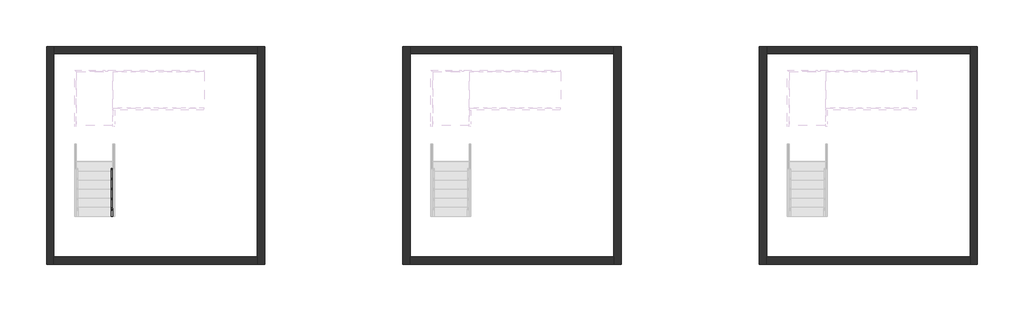
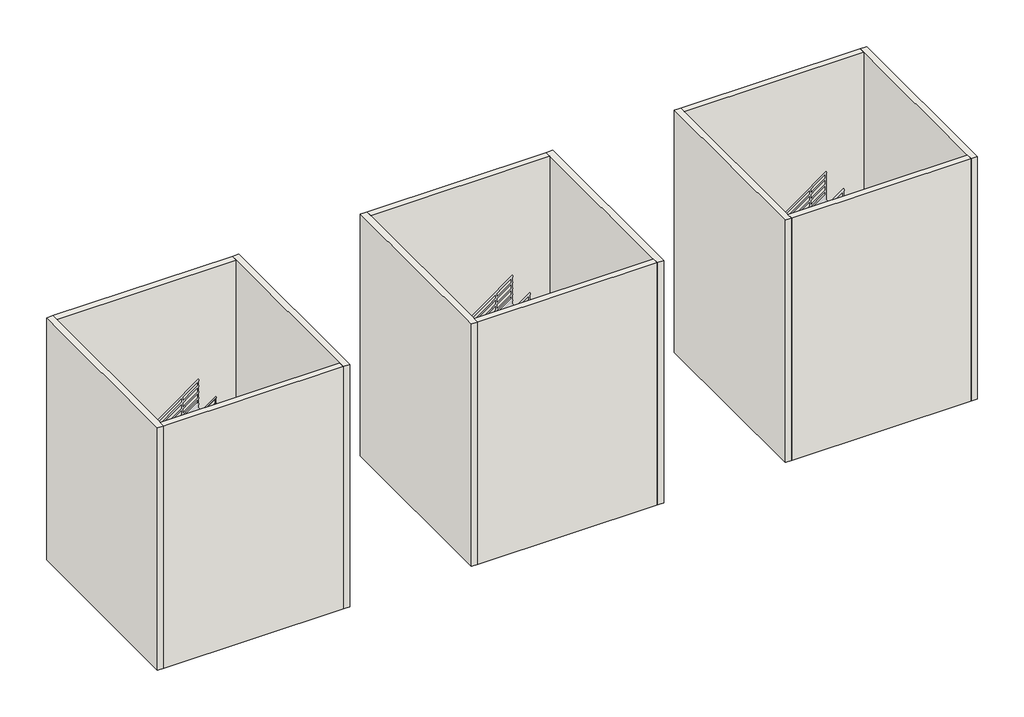
# One storey, part 1 of 7: 12 walls, 1 railing.
"""IFC4 building model written with IfcOpenShell, lengths in millimetres."""

import ifcopenshell
import ifcopenshell.guid

model = None  # the IFC model being written
_history = None  # IfcOwnerHistory: only IFC2X3 demands one
_inside = {}  # id of a spatial element -> (the spatial element, [elements in it])
_under = {}  # id of a project, library or spatial element -> (it, [spatial elements below it])
_declared = {}  # id of a project -> (the project, [libraries it declares])
_typed = {}  # id of a type object -> (the type object, [elements of that type])
_made_of = {}  # id of a material, layer set ... -> (it, [elements and type objects made of it])


def new_model(schema):
    """Start an empty IFC model of exactly this schema.

    Asked for "IFC4X3", IfcOpenShell would pick the latest addendum, in which some entities
    have other attributes; the version numbers below select the first issue.
    IFC2X3 requires an IfcOwnerHistory on every rooted entity: one is made here for all.
    """
    global model, _history
    if schema == "IFC4X3":
        model = ifcopenshell.file(schema_version=(4, 3, 0, 0))
    else:
        model = ifcopenshell.file(schema=schema)
    _inside.clear()
    _under.clear()
    _declared.clear()
    _typed.clear()
    _made_of.clear()
    _history = None
    if model.schema == "IFC2X3":
        org = make("IfcOrganization", Name="unknown")
        user = make(
            "IfcPersonAndOrganization",
            ThePerson=make("IfcPerson", FamilyName="unknown"),
            TheOrganization=org,
        )
        app = make(
            "IfcApplication",
            ApplicationDeveloper=org,
            Version="unknown",
            ApplicationFullName="unknown",
            ApplicationIdentifier="unknown",
        )
        _history = make(
            "IfcOwnerHistory",
            OwningUser=user,
            OwningApplication=app,
            ChangeAction="ADDED",
            CreationDate=0,
        )
    return model


def make(cls, **values):
    """One entity of the class cls with the attributes given. An attribute that is None is left unset."""
    return model.create_entity(
        cls, **{name: value for name, value in values.items() if value is not None}
    )


def rooted(cls, **values):
    """An entity with a GlobalId (a new one), such as an element, a storey or a relation."""
    return make(cls, GlobalId=ifcopenshell.guid.new(), OwnerHistory=_history, **values)


def si_unit(unit_type, name, prefix=None):
    """IfcSIUnit, for example si_unit("LENGTHUNIT", "METRE", prefix="MILLI")."""
    return make("IfcSIUnit", UnitType=unit_type, Prefix=prefix, Name=name)


def assignment(units):
    """IfcUnitAssignment: the units of a project."""
    return None if units is None else make("IfcUnitAssignment", Units=units)


def point(xyz):
    """IfcCartesianPoint."""
    return None if xyz is None else make("IfcCartesianPoint", Coordinates=xyz)


def direction(xyz):
    """IfcDirection."""
    return None if xyz is None else make("IfcDirection", DirectionRatios=xyz)


def frame(location, z_axis=None, x_axis=None):
    """IfcAxis2Placement3D, a coordinate frame: its origin and axes. An axis left out is left unset."""
    return make(
        "IfcAxis2Placement3D",
        Location=point(location),
        Axis=direction(z_axis),
        RefDirection=direction(x_axis),
    )


def frame_2d(location, x_axis=None):
    """IfcAxis2Placement2D, a coordinate frame in the plane: its origin and x axis."""
    return make(
        "IfcAxis2Placement2D", Location=point(location), RefDirection=direction(x_axis)
    )


def origin():
    """The frame at (0, 0, 0) with its axes left unset."""
    return frame((0.0, 0.0, 0.0))


def origin_with_axes():
    """The frame at (0, 0, 0) with the z axis (0, 0, 1) and the x axis (1, 0, 0) written out."""
    return frame((0.0, 0.0, 0.0), z_axis=(0.0, 0.0, 1.0), x_axis=(1.0, 0.0, 0.0))


def place(relative_to, where):
    """IfcLocalPlacement: puts the frame where relative to a parent placement (None: the world)."""
    return make(
        "IfcLocalPlacement", PlacementRelTo=relative_to, RelativePlacement=where
    )


def context(
    kind, dimensions, precision=None, world=None, true_north=None, identifier=None
):
    """IfcGeometricRepresentationContext, for example the 3D "Model" context."""
    return make(
        "IfcGeometricRepresentationContext",
        ContextIdentifier=identifier,
        ContextType=kind,
        CoordinateSpaceDimension=dimensions,
        Precision=precision,
        WorldCoordinateSystem=world,
        TrueNorth=true_north,
    )


def project(units=None, contexts=None):
    """IfcProject with its units and contexts."""
    return rooted(
        "IfcProject",
        Name="project",
        RepresentationContexts=contexts,
        UnitsInContext=assignment(units),
    )


def spatial(cls, under=None, at=None, **own):
    """A site, building, storey or space (cls), placed at a placement, below another one or the project."""
    s = rooted(cls, ObjectPlacement=at, **own)
    if under is not None:
        _under.setdefault(under.id(), (under, []))[1].append(s)
    return s


def polyline(points):
    """IfcPolyline through the points."""
    return make("IfcPolyline", Points=[point(p) for p in points])


def circle_curve(where, radius):
    """IfcCircle in the frame where."""
    return make("IfcCircle", Position=where, Radius=radius)


def ellipse_curve(where, semi_axis1, semi_axis2):
    """IfcEllipse in the frame where."""
    return make(
        "IfcEllipse", Position=where, SemiAxis1=semi_axis1, SemiAxis2=semi_axis2
    )


def trimmed(basis, trim1, trim2, sense, master):
    """IfcTrimmedCurve: the piece of a basis curve between two trims."""
    return make(
        "IfcTrimmedCurve",
        BasisCurve=basis,
        Trim1=trim1,
        Trim2=trim2,
        SenseAgreement=sense,
        MasterRepresentation=master,
    )


def segment(curve, same_sense, transition):
    """IfcCompositeCurveSegment."""
    return make(
        "IfcCompositeCurveSegment",
        Transition=transition,
        SameSense=same_sense,
        ParentCurve=curve,
    )


def composite_curve(segments, self_intersect=None):
    """IfcCompositeCurve: segments joined end to end."""
    return make("IfcCompositeCurve", Segments=segments, SelfIntersect=self_intersect)


def outline(outer, holes=None, kind="AREA"):
    """IfcArbitraryClosedProfileDef: a profile drawn as a closed curve; with holes, ...WithVoids."""
    if holes is None:
        return make("IfcArbitraryClosedProfileDef", ProfileType=kind, OuterCurve=outer)
    return make(
        "IfcArbitraryProfileDefWithVoids",
        ProfileType=kind,
        OuterCurve=outer,
        InnerCurves=holes,
    )


def extrude(swept, where, along, depth):
    """IfcExtrudedAreaSolid: the profile swept, set in the frame where, extruded along a direction by depth."""
    return make(
        "IfcExtrudedAreaSolid",
        SweptArea=swept,
        Position=where,
        ExtrudedDirection=direction(along),
        Depth=depth,
    )


def faces_of(points, faces, orient=None, outer=None):
    """IfcFace entities. A face is a list of loops; a loop is a list of indices into points, from 0.

    orient and outer hold one flag for each loop. By default every Orientation is true, the
    first loop of a face is its IfcFaceOuterBound and the others are IfcFaceBound.
    """
    made = []
    for i, loops in enumerate(faces):
        bounds = []
        for j, loop in enumerate(loops):
            is_outer = j == 0 if outer is None else outer[i][j]
            bounds.append(
                make(
                    "IfcFaceOuterBound" if is_outer else "IfcFaceBound",
                    Bound=make("IfcPolyLoop", Polygon=[points[k] for k in loop]),
                    Orientation=True if orient is None else orient[i][j],
                )
            )
        made.append(make("IfcFace", Bounds=bounds))
    return made


def faceted_brep(points, faces, orient=None, outer=None, voids=None):
    """IfcFacetedBrep: a solid bounded by flat faces; with voids (closed shells), ...WithVoids."""
    shared = [point(p) for p in points]
    hull = make("IfcClosedShell", CfsFaces=faces_of(shared, faces, orient, outer))
    if voids is None:
        return make("IfcFacetedBrep", Outer=hull)
    return make(
        "IfcFacetedBrepWithVoids",
        Outer=hull,
        Voids=[
            make(cls, CfsFaces=faces_of(shared, fs, o, b)) for cls, fs, o, b in voids
        ],
    )


def shape(context_of_items, identifier, shape_type, items):
    """IfcShapeRepresentation: the items that make up one representation, for example the "Body"."""
    return make(
        "IfcShapeRepresentation",
        ContextOfItems=context_of_items,
        RepresentationIdentifier=identifier,
        RepresentationType=shape_type,
        Items=items,
    )


def made_of(thing, what):
    """Note that an element or type object is made of a material, layer set ...; save() writes the relation."""
    if what is not None:
        _made_of.setdefault(what.id(), (what, []))[1].append(thing)
    return thing


def element(
    cls,
    number,
    at=None,
    inside=None,
    cuts=None,
    type_object=None,
    material=None,
    context=None,
    identifier="Body",
    shape_type=None,
    held_by="IfcProductDefinitionShape",
    body=None,
    shapes=None,
    **own,
):
    """One element of the class cls, such as IfcWall. Its Tag is "e" and its number.

    at: its placement. inside: the storey or other place that contains it. cuts: it is an
    opening in that element (IfcRelVoidsElement). A single representation is given by context,
    identifier, shape_type and body (its items); several are given by shapes. held_by: the class
    of the entity that holds the representations. save() writes the other relations.
    """
    e = rooted(cls, Tag="e%d" % number, ObjectPlacement=at, **own)
    if body is not None:
        shapes = [shape(context, identifier, shape_type, body)]
    if shapes is not None:
        e.Representation = make(held_by, Representations=shapes)
    if inside is not None:
        _inside.setdefault(inside.id(), (inside, []))[1].append(e)
    if cuts is not None:
        rooted(
            "IfcRelVoidsElement", RelatingBuildingElement=cuts, RelatedOpeningElement=e
        )
    if type_object is not None:
        _typed.setdefault(type_object.id(), (type_object, []))[1].append(e)
    return made_of(e, material)


def aggregate(whole, parts):
    """IfcRelAggregates: a whole, such as a stair, and the parts it consists of."""
    return rooted("IfcRelAggregates", RelatingObject=whole, RelatedObjects=parts)


def save(model, path):
    """Write the relations noted so far, then the file.

    IfcRelAggregates (storeys below a building ...), IfcRelContainedInSpatialStructure (elements
    in a storey), IfcRelDefinesByType, IfcRelAssociatesMaterial and IfcRelDeclares: one each for
    every whole, place, type object, material and project.
    """
    for whole, parts in _under.values():
        aggregate(whole, parts)
    for where, things in _inside.values():
        rooted(
            "IfcRelContainedInSpatialStructure",
            RelatedElements=things,
            RelatingStructure=where,
        )
    for kind, things in _typed.values():
        rooted("IfcRelDefinesByType", RelatedObjects=things, RelatingType=kind)
    for what, things in _made_of.values():
        rooted("IfcRelAssociatesMaterial", RelatedObjects=things, RelatingMaterial=what)
    for by, libraries in _declared.values():
        rooted("IfcRelDeclares", RelatingContext=by, RelatedDefinitions=libraries)
    model.write(path)


def plane_surface(at):
    """IfcPlane: the flat surface through the origin of the frame at, square to its z axis."""
    return make("IfcPlane", Position=at)


def cylinder_surface(at, radius):
    """IfcCylindricalSurface: all points at the distance radius from the z axis of the frame at."""
    return make("IfcCylindricalSurface", Position=at, Radius=radius)


def advanced_brep(points, edges, surfaces, faces):
    """IfcAdvancedBrep: a solid bounded by faces that lie on surfaces and meet in shared edges.

    An edge is (start, end): straight between two places in points (the first is 0);
    or (start, end, curve); or (start, end, curve, False) where it runs against its curve.
    A face is (place in surfaces, loops), or (place, loops, False) where it looks against
    its surface's normal. A loop lists edges by number (the first is 1), with a minus sign
    where the edge is run from its end to its start. The first loop is the outer one.
    """
    corners = [point(p) for p in points]
    vertices = [make("IfcVertexPoint", VertexGeometry=c) for c in corners]
    made = []
    for start, end, *more in edges:
        made.append(
            make(
                "IfcEdgeCurve",
                EdgeStart=vertices[start],
                EdgeEnd=vertices[end],
                EdgeGeometry=more[0] if more else make("IfcPolyline", Points=[corners[start], corners[end]]),
                SameSense=more[1] if len(more) > 1 else True,
            )
        )
    hull = []
    for where, loops, *sense in faces:
        bounds = []
        for j, loop in enumerate(loops):
            ring = [make("IfcOrientedEdge", EdgeElement=made[abs(k) - 1], Orientation=k > 0) for k in loop]
            bounds.append(
                make(
                    "IfcFaceOuterBound" if j == 0 else "IfcFaceBound",
                    Bound=make("IfcEdgeLoop", EdgeList=ring),
                    Orientation=True,
                )
            )
        hull.append(make("IfcAdvancedFace", Bounds=bounds, FaceSurface=surfaces[where], SameSense=sense[0] if sense else True))
    return make("IfcAdvancedBrep", Outer=make("IfcClosedShell", CfsFaces=hull))


model = new_model("IFC4")

# Units and contexts
model_context = context("Model", 3, world=origin())
ifc_project = project(units=[si_unit("LENGTHUNIT", "METRE", prefix="MILLI")], contexts=[model_context])

# Site, building, storey
site = spatial("IfcSite", under=ifc_project)
building = spatial("IfcBuilding", under=site)
storey = spatial("IfcBuildingStorey", under=building, Elevation=0.0)

# Railing
placement = place(None, origin())
element("IfcRailing", 1, at=placement, inside=storey, context=model_context, shape_type="SolidModel", body=[
    advanced_brep(
    [(-13925.8675457, -20822.7019092, 1057.0882354), (-13965.8675457, -20822.7019092, 1057.0882354), (-13925.8675457, -18316.198233, 2880.0), (-13965.8675457, -18316.198233, 2880.0), (-13925.8675457, -17822.8676251, 2880.0), (-13965.8675457, -17822.8676251, 2880.0)],
    [
        (0, 1, ellipse_curve(frame((-13945.8675457, -20822.7019092, 1057.0882354), z_axis=(0.0, -1.0, 0.0), x_axis=(0.0, 0.0, -1.0)), 24.7299464, 20.0)),
        (1, 0, ellipse_curve(frame((-13945.8675457, -20822.7019092, 1057.0882354), z_axis=(0.0, -1.0, 0.0), x_axis=(0.0, 0.0, -1.0)), 24.7299464, 20.0)),
        (0, 2),
        (2, 3, ellipse_curve(frame((-13945.8675457, -18316.198233, 2880.0), z_axis=(0.0, -0.9509826718461248, -0.30924417189076636), x_axis=(0.0, 0.30924417189076703, -0.9509826718461245)), 21.0308774, 20.0)),
        (3, 1),
        (3, 2, ellipse_curve(frame((-13945.8675457, -18316.198233, 2880.0), z_axis=(0.0, -0.9509826718461248, -0.30924417189076636), x_axis=(0.0, 0.30924417189076703, -0.9509826718461245)), 21.0308774, 20.0)),
        (4, 5, ellipse_curve(frame((-13945.8675457, -17822.8676251, 2880.0), z_axis=(0.0, 0.7071067811865476, 0.7071067811865476), x_axis=(0.0, -0.7071067811865474, 0.7071067811865476)), 28.2842712, 20.0)),
        (5, 4, ellipse_curve(frame((-13945.8675457, -17822.8676251, 2880.0), z_axis=(0.0, 0.7071067811865476, 0.7071067811865476), x_axis=(0.0, -0.7071067811865474, 0.7071067811865476)), 28.2842712, 20.0)),
        (2, 4),
        (5, 3),
    ],
    [
        plane_surface(frame((-13945.8675457, -20822.7019092, 1081.8181818), z_axis=(0.0, -1.0, 0.0), x_axis=(0.0, 0.0, 1.0))),
        cylinder_surface(frame((-13945.8675457, -20810.9384753, 1065.6434601), z_axis=(0.0, -0.8087360843031884, -0.5881716976750465), x_axis=(-1.0, 0.0, 0.0)), 20.0),
        plane_surface(frame((-13945.8675457, -17842.8676251, 2900.0), z_axis=(0.0, 0.7071067811865476, 0.7071067811865476), x_axis=(1.0, 0.0, 0.0))),
        cylinder_surface(frame((-13945.8675457, -18322.7019092, 2880.0), z_axis=(0.0, -1.0, 0.0), x_axis=(-1.0, 0.0, 0.0)), 20.0),
    ],
    [
        (0, [[1, 2]]),
        (1, [[-1, 3, 4, 5]]),
        (1, [[-2, -5, 6, -3]]),
        (2, [[7, 8]]),
        (3, [[-4, 9, -8, 10]]),
        (3, [[-6, -10, -7, -9]]),
    ],
),
    advanced_brep(
    [(-13925.8675457, -17822.8676251, 2880.0), (-13965.8675457, -17822.8676251, 2880.0), (-13925.8675457, -17822.8676251, 3028.4310163), (-13965.8675457, -17822.8676251, 3048.8)],
    [
        (0, 1, ellipse_curve(frame((-13945.8675457, -17822.8676251, 2880.0), z_axis=(0.0, -0.7071067811865476, -0.7071067811865476), x_axis=(0.0, 0.7071067811865476, -0.7071067811865474)), 28.2842712, 20.0)),
        (1, 0, ellipse_curve(frame((-13945.8675457, -17822.8676251, 2880.0), z_axis=(0.0, -0.7071067811865476, -0.7071067811865476), x_axis=(0.0, 0.7071067811865476, -0.7071067811865474)), 28.2842712, 20.0)),
        (2, 3, ellipse_curve(frame((-13945.8675457, -17822.8676251, 3038.6155082), z_axis=(0.45377764506691687, 0.0, 0.8911149470396753), x_axis=(0.8911149470396753, 0.0, -0.45377764506691665)), 22.4437937, 20.0)),
        (3, 2, ellipse_curve(frame((-13945.8675457, -17822.8676251, 3038.6155082), z_axis=(0.45377764506691687, 0.0, 0.8911149470396753), x_axis=(0.8911149470396753, 0.0, -0.45377764506691665)), 22.4437937, 20.0)),
        (0, 2),
        (3, 1),
    ],
    [
        plane_surface(frame((-13945.8675457, -17822.8676251, 2880.0), z_axis=(0.0, -0.7071067811865476, -0.7071067811865476), x_axis=(1.0, 0.0, 0.0))),
        plane_surface(frame((-13945.8675457, -17822.8676251, 3038.6155082), z_axis=(0.45377764506691687, 0.0, 0.8911149470396753), x_axis=(0.8911149470396753, 0.0, -0.45377764506691687))),
        cylinder_surface(frame((-13945.8675457, -17822.8676251, 2880.0), z_axis=(0.0, 0.0, -1.0), x_axis=(-1.0, 0.0, 0.0)), 20.0),
    ],
    [
        (0, [[1, 2]]),
        (1, [[3, 4]]),
        (2, [[-1, 5, -4, 6]]),
        (2, [[-2, -6, -3, -5]]),
    ],
),
    advanced_brep(
    [(-13945.8675457, -17842.8676251, 3038.6155082), (-13945.8675457, -17802.8676251, 3038.6155082), (-11420.4675457, -17842.8676251, 4875.2700536), (-11420.4675457, -17802.8676251, 4875.2700536)],
    [
        (0, 1, ellipse_curve(frame((-13945.8675457, -17822.8676251, 3038.6155082), z_axis=(-0.45377764506691687, 0.0, -0.8911149470396753), x_axis=(-0.8911149470396752, 0.0, 0.4537776450669168)), 22.4437937, 20.0)),
        (1, 0, ellipse_curve(frame((-13945.8675457, -17822.8676251, 3038.6155082), z_axis=(-0.45377764506691687, 0.0, -0.8911149470396753), x_axis=(-0.8911149470396752, 0.0, 0.4537776450669168)), 22.4437937, 20.0)),
        (2, 3, ellipse_curve(frame((-11420.4675457, -17822.8676251, 4875.2700536), z_axis=(1.0, 0.0, 0.0), x_axis=(0.0, 0.0, -1.0)), 24.7299464, 20.0)),
        (3, 2, ellipse_curve(frame((-11420.4675457, -17822.8676251, 4875.2700536), z_axis=(1.0, 0.0, 0.0), x_axis=(0.0, 0.0, -1.0)), 24.7299464, 20.0)),
        (0, 2),
        (3, 1),
    ],
    [
        plane_surface(frame((-13965.8675457, -17822.8676251, 3048.8), z_axis=(-0.45377764506691687, 0.0, -0.8911149470396753), x_axis=(0.8911149470396753, 0.0, -0.45377764506691687))),
        plane_surface(frame((-11420.4675457, -17822.8676251, 4900.0), z_axis=(1.0, 0.0, 0.0), x_axis=(0.0, 1.0, 0.0))),
        cylinder_surface(frame((-13954.1041118, -17822.8676251, 3032.6252783), z_axis=(-0.8087360843031884, 0.0, -0.5881716976750465), x_axis=(0.0, 1.0, 0.0)), 20.0),
    ],
    [
        (0, [[1, 2]]),
        (1, [[3, 4]]),
        (2, [[-1, 5, -4, 6]]),
        (2, [[-2, -6, -3, -5]]),
    ],
),
    advanced_brep(
    [(-13960.8675457, -20822.7019092, 863.270722), (-13930.8675457, -20822.7019092, 863.270722), (-13960.8675457, -18322.7019092, 2681.4525402), (-13930.8675457, -18322.7019092, 2681.4525402)],
    [
        (0, 1, ellipse_curve(frame((-13945.8675457, -20822.7019092, 863.270722), z_axis=(0.0, -1.0, 0.0), x_axis=(0.0, 0.0, -1.0)), 18.5474598, 15.0)),
        (1, 0, ellipse_curve(frame((-13945.8675457, -20822.7019092, 863.270722), z_axis=(0.0, -1.0, 0.0), x_axis=(0.0, 0.0, -1.0)), 18.5474598, 15.0)),
        (2, 3, ellipse_curve(frame((-13945.8675457, -18322.7019092, 2681.4525402), z_axis=(0.0, 1.0, 0.0), x_axis=(0.0, 0.0, -1.0)), 18.5474598, 15.0)),
        (3, 2, ellipse_curve(frame((-13945.8675457, -18322.7019092, 2681.4525402), z_axis=(0.0, 1.0, 0.0), x_axis=(0.0, 0.0, -1.0)), 18.5474598, 15.0)),
        (0, 2),
        (3, 1),
    ],
    [
        plane_surface(frame((-13945.8675457, -20822.7019092, 881.8181818), z_axis=(0.0, -1.0, 0.0), x_axis=(0.0, 0.0, 1.0))),
        plane_surface(frame((-13945.8675457, -18322.7019092, 2700.0), z_axis=(0.0, 1.0, 0.0), x_axis=(0.0, 0.0, 1.0))),
        cylinder_surface(frame((-13945.8675457, -20813.8793338, 869.6871406), z_axis=(0.0, -0.8087360843031884, -0.5881716976750465), x_axis=(1.0, 0.0, 0.0)), 15.0),
    ],
    [
        (0, [[1, 2]]),
        (1, [[3, 4]]),
        (2, [[-1, 5, -4, 6]]),
        (2, [[-2, -6, -3, -5]]),
    ],
),
    advanced_brep(
    [(-13960.8675457, -18322.7019092, 2685.0), (-13930.8675457, -18322.7019092, 2685.0), (-13960.8675457, -17837.8676251, 2685.0), (-13930.8675457, -17837.8676251, 2685.0)],
    [
        (0, 1, circle_curve(frame((-13945.8675457, -18322.7019092, 2685.0), z_axis=(0.0, -1.0, 0.0), x_axis=(1.0, 0.0, 0.0)), 15.0)),
        (1, 0, circle_curve(frame((-13945.8675457, -18322.7019092, 2685.0), z_axis=(0.0, -1.0, 0.0), x_axis=(1.0, 0.0, 0.0)), 15.0)),
        (2, 3, circle_curve(frame((-13945.8675457, -17837.8676251, 2685.0), z_axis=(0.0, 1.0, 0.0), x_axis=(1.0, 0.0, 0.0)), 15.0)),
        (3, 2, circle_curve(frame((-13945.8675457, -17837.8676251, 2685.0), z_axis=(0.0, 1.0, 0.0), x_axis=(1.0, 0.0, 0.0)), 15.0)),
        (0, 2),
        (3, 1),
    ],
    [
        plane_surface(frame((-13945.8675457, -18322.7019092, 2700.0), z_axis=(0.0, -1.0, 0.0), x_axis=(0.0, 0.0, 1.0))),
        plane_surface(frame((-13945.8675457, -17837.8676251, 2700.0), z_axis=(0.0, 1.0, 0.0), x_axis=(0.0, 0.0, 1.0))),
        cylinder_surface(frame((-13945.8675457, -18322.7019092, 2685.0), z_axis=(0.0, -1.0, 0.0), x_axis=(1.0, 0.0, 0.0)), 15.0),
    ],
    [
        (0, [[1, 2]]),
        (1, [[3, 4]]),
        (2, [[-1, 5, -4, 6]]),
        (2, [[-2, -6, -3, -5]]),
    ],
),
    advanced_brep(
    [(-13960.8675457, -17807.8676251, 2833.8889039), (-13960.8675457, -17837.8676251, 2833.8889039), (-11420.4675457, -17807.8676251, 4681.4525402), (-11420.4675457, -17837.8676251, 4681.4525402)],
    [
        (0, 1, ellipse_curve(frame((-13960.8675457, -17822.8676251, 2833.8889039), z_axis=(-1.0, 0.0, 0.0), x_axis=(0.0, 0.0, -1.0)), 18.5474598, 15.0)),
        (1, 0, ellipse_curve(frame((-13960.8675457, -17822.8676251, 2833.8889039), z_axis=(-1.0, 0.0, 0.0), x_axis=(0.0, 0.0, -1.0)), 18.5474598, 15.0)),
        (2, 3, ellipse_curve(frame((-11420.4675457, -17822.8676251, 4681.4525402), z_axis=(1.0, 0.0, 0.0), x_axis=(0.0, 0.0, -1.0)), 18.5474598, 15.0)),
        (3, 2, ellipse_curve(frame((-11420.4675457, -17822.8676251, 4681.4525402), z_axis=(1.0, 0.0, 0.0), x_axis=(0.0, 0.0, -1.0)), 18.5474598, 15.0)),
        (0, 2),
        (3, 1),
    ],
    [
        plane_surface(frame((-13960.8675457, -17822.8676251, 2852.4363636), z_axis=(-1.0, 0.0, 0.0), x_axis=(0.0, 1.0, 0.0))),
        plane_surface(frame((-11420.4675457, -17822.8676251, 4700.0), z_axis=(1.0, 0.0, 0.0), x_axis=(0.0, 1.0, 0.0))),
        cylinder_surface(frame((-13952.0449703, -17822.8676251, 2840.3053224), z_axis=(-0.8087360843031884, 0.0, -0.5881716976750465), x_axis=(0.0, -1.0, 0.0)), 15.0),
    ],
    [
        (0, [[1, 2]]),
        (1, [[3, 4]]),
        (2, [[-1, 5, -4, 6]]),
        (2, [[-2, -6, -3, -5]]),
    ],
),
    advanced_brep(
    [(-13960.8675457, -20822.7019092, 663.270722), (-13930.8675457, -20822.7019092, 663.270722), (-13960.8675457, -18322.7019092, 2481.4525402), (-13930.8675457, -18322.7019092, 2481.4525402)],
    [
        (0, 1, ellipse_curve(frame((-13945.8675457, -20822.7019092, 663.270722), z_axis=(0.0, -1.0, 0.0), x_axis=(0.0, 0.0, -1.0)), 18.5474598, 15.0)),
        (1, 0, ellipse_curve(frame((-13945.8675457, -20822.7019092, 663.270722), z_axis=(0.0, -1.0, 0.0), x_axis=(0.0, 0.0, -1.0)), 18.5474598, 15.0)),
        (2, 3, ellipse_curve(frame((-13945.8675457, -18322.7019092, 2481.4525402), z_axis=(0.0, 1.0, 0.0), x_axis=(0.0, 0.0, -1.0)), 18.5474598, 15.0)),
        (3, 2, ellipse_curve(frame((-13945.8675457, -18322.7019092, 2481.4525402), z_axis=(0.0, 1.0, 0.0), x_axis=(0.0, 0.0, -1.0)), 18.5474598, 15.0)),
        (0, 2),
        (3, 1),
    ],
    [
        plane_surface(frame((-13945.8675457, -20822.7019092, 681.8181818), z_axis=(0.0, -1.0, 0.0), x_axis=(0.0, 0.0, 1.0))),
        plane_surface(frame((-13945.8675457, -18322.7019092, 2500.0), z_axis=(0.0, 1.0, 0.0), x_axis=(0.0, 0.0, 1.0))),
        cylinder_surface(frame((-13945.8675457, -20813.8793338, 669.6871406), z_axis=(0.0, -0.8087360843031884, -0.5881716976750465), x_axis=(1.0, 0.0, 0.0)), 15.0),
    ],
    [
        (0, [[1, 2]]),
        (1, [[3, 4]]),
        (2, [[-1, 5, -4, 6]]),
        (2, [[-2, -6, -3, -5]]),
    ],
),
    advanced_brep(
    [(-13960.8675457, -18322.7019092, 2485.0), (-13930.8675457, -18322.7019092, 2485.0), (-13960.8675457, -17837.8676251, 2485.0), (-13930.8675457, -17837.8676251, 2485.0)],
    [
        (0, 1, circle_curve(frame((-13945.8675457, -18322.7019092, 2485.0), z_axis=(0.0, -1.0, 0.0), x_axis=(1.0, 0.0, 0.0)), 15.0)),
        (1, 0, circle_curve(frame((-13945.8675457, -18322.7019092, 2485.0), z_axis=(0.0, -1.0, 0.0), x_axis=(1.0, 0.0, 0.0)), 15.0)),
        (2, 3, circle_curve(frame((-13945.8675457, -17837.8676251, 2485.0), z_axis=(0.0, 1.0, 0.0), x_axis=(1.0, 0.0, 0.0)), 15.0)),
        (3, 2, circle_curve(frame((-13945.8675457, -17837.8676251, 2485.0), z_axis=(0.0, 1.0, 0.0), x_axis=(1.0, 0.0, 0.0)), 15.0)),
        (0, 2),
        (3, 1),
    ],
    [
        plane_surface(frame((-13945.8675457, -18322.7019092, 2500.0), z_axis=(0.0, -1.0, 0.0), x_axis=(0.0, 0.0, 1.0))),
        plane_surface(frame((-13945.8675457, -17837.8676251, 2500.0), z_axis=(0.0, 1.0, 0.0), x_axis=(0.0, 0.0, 1.0))),
        cylinder_surface(frame((-13945.8675457, -18322.7019092, 2485.0), z_axis=(0.0, -1.0, 0.0), x_axis=(1.0, 0.0, 0.0)), 15.0),
    ],
    [
        (0, [[1, 2]]),
        (1, [[3, 4]]),
        (2, [[-1, 5, -4, 6]]),
        (2, [[-2, -6, -3, -5]]),
    ],
),
    advanced_brep(
    [(-13960.8675457, -17807.8676251, 2633.8889039), (-13960.8675457, -17837.8676251, 2633.8889039), (-11420.4675457, -17807.8676251, 4481.4525402), (-11420.4675457, -17837.8676251, 4481.4525402)],
    [
        (0, 1, ellipse_curve(frame((-13960.8675457, -17822.8676251, 2633.8889039), z_axis=(-1.0, 0.0, 0.0), x_axis=(0.0, 0.0, -1.0)), 18.5474598, 15.0)),
        (1, 0, ellipse_curve(frame((-13960.8675457, -17822.8676251, 2633.8889039), z_axis=(-1.0, 0.0, 0.0), x_axis=(0.0, 0.0, -1.0)), 18.5474598, 15.0)),
        (2, 3, ellipse_curve(frame((-11420.4675457, -17822.8676251, 4481.4525402), z_axis=(1.0, 0.0, 0.0), x_axis=(0.0, 0.0, -1.0)), 18.5474598, 15.0)),
        (3, 2, ellipse_curve(frame((-11420.4675457, -17822.8676251, 4481.4525402), z_axis=(1.0, 0.0, 0.0), x_axis=(0.0, 0.0, -1.0)), 18.5474598, 15.0)),
        (0, 2),
        (3, 1),
    ],
    [
        plane_surface(frame((-13960.8675457, -17822.8676251, 2652.4363636), z_axis=(-1.0, 0.0, 0.0), x_axis=(0.0, 1.0, 0.0))),
        plane_surface(frame((-11420.4675457, -17822.8676251, 4500.0), z_axis=(1.0, 0.0, 0.0), x_axis=(0.0, 1.0, 0.0))),
        cylinder_surface(frame((-13952.0449703, -17822.8676251, 2640.3053224), z_axis=(-0.8087360843031884, 0.0, -0.5881716976750465), x_axis=(0.0, -1.0, 0.0)), 15.0),
    ],
    [
        (0, [[1, 2]]),
        (1, [[3, 4]]),
        (2, [[-1, 5, -4, 6]]),
        (2, [[-2, -6, -3, -5]]),
    ],
),
    advanced_brep(
    [(-13960.8675457, -20822.7019092, 463.270722), (-13930.8675457, -20822.7019092, 463.270722), (-13960.8675457, -18322.7019092, 2281.4525402), (-13930.8675457, -18322.7019092, 2281.4525402)],
    [
        (0, 1, ellipse_curve(frame((-13945.8675457, -20822.7019092, 463.270722), z_axis=(0.0, -1.0, 0.0), x_axis=(0.0, 0.0, -1.0)), 18.5474598, 15.0)),
        (1, 0, ellipse_curve(frame((-13945.8675457, -20822.7019092, 463.270722), z_axis=(0.0, -1.0, 0.0), x_axis=(0.0, 0.0, -1.0)), 18.5474598, 15.0)),
        (2, 3, ellipse_curve(frame((-13945.8675457, -18322.7019092, 2281.4525402), z_axis=(0.0, 1.0, 0.0), x_axis=(0.0, 0.0, -1.0)), 18.5474598, 15.0)),
        (3, 2, ellipse_curve(frame((-13945.8675457, -18322.7019092, 2281.4525402), z_axis=(0.0, 1.0, 0.0), x_axis=(0.0, 0.0, -1.0)), 18.5474598, 15.0)),
        (0, 2),
        (3, 1),
    ],
    [
        plane_surface(frame((-13945.8675457, -20822.7019092, 481.8181818), z_axis=(0.0, -1.0, 0.0), x_axis=(0.0, 0.0, 1.0))),
        plane_surface(frame((-13945.8675457, -18322.7019092, 2300.0), z_axis=(0.0, 1.0, 0.0), x_axis=(0.0, 0.0, 1.0))),
        cylinder_surface(frame((-13945.8675457, -20813.8793338, 469.6871406), z_axis=(0.0, -0.8087360843031884, -0.5881716976750465), x_axis=(1.0, 0.0, 0.0)), 15.0),
    ],
    [
        (0, [[1, 2]]),
        (1, [[3, 4]]),
        (2, [[-1, 5, -4, 6]]),
        (2, [[-2, -6, -3, -5]]),
    ],
),
    advanced_brep(
    [(-13960.8675457, -18322.7019092, 2285.0), (-13930.8675457, -18322.7019092, 2285.0), (-13960.8675457, -17837.8676251, 2285.0), (-13930.8675457, -17837.8676251, 2285.0)],
    [
        (0, 1, circle_curve(frame((-13945.8675457, -18322.7019092, 2285.0), z_axis=(0.0, -1.0, 0.0), x_axis=(1.0, 0.0, 0.0)), 15.0)),
        (1, 0, circle_curve(frame((-13945.8675457, -18322.7019092, 2285.0), z_axis=(0.0, -1.0, 0.0), x_axis=(1.0, 0.0, 0.0)), 15.0)),
        (2, 3, circle_curve(frame((-13945.8675457, -17837.8676251, 2285.0), z_axis=(0.0, 1.0, 0.0), x_axis=(1.0, 0.0, 0.0)), 15.0)),
        (3, 2, circle_curve(frame((-13945.8675457, -17837.8676251, 2285.0), z_axis=(0.0, 1.0, 0.0), x_axis=(1.0, 0.0, 0.0)), 15.0)),
        (0, 2),
        (3, 1),
    ],
    [
        plane_surface(frame((-13945.8675457, -18322.7019092, 2300.0), z_axis=(0.0, -1.0, 0.0), x_axis=(0.0, 0.0, 1.0))),
        plane_surface(frame((-13945.8675457, -17837.8676251, 2300.0), z_axis=(0.0, 1.0, 0.0), x_axis=(0.0, 0.0, 1.0))),
        cylinder_surface(frame((-13945.8675457, -18322.7019092, 2285.0), z_axis=(0.0, -1.0, 0.0), x_axis=(1.0, 0.0, 0.0)), 15.0),
    ],
    [
        (0, [[1, 2]]),
        (1, [[3, 4]]),
        (2, [[-1, 5, -4, 6]]),
        (2, [[-2, -6, -3, -5]]),
    ],
),
    advanced_brep(
    [(-13960.8675457, -17807.8676251, 2433.8889039), (-13960.8675457, -17837.8676251, 2433.8889039), (-11420.4675457, -17807.8676251, 4281.4525402), (-11420.4675457, -17837.8676251, 4281.4525402)],
    [
        (0, 1, ellipse_curve(frame((-13960.8675457, -17822.8676251, 2433.8889039), z_axis=(-1.0, 0.0, 0.0), x_axis=(0.0, 0.0, -1.0)), 18.5474598, 15.0)),
        (1, 0, ellipse_curve(frame((-13960.8675457, -17822.8676251, 2433.8889039), z_axis=(-1.0, 0.0, 0.0), x_axis=(0.0, 0.0, -1.0)), 18.5474598, 15.0)),
        (2, 3, ellipse_curve(frame((-11420.4675457, -17822.8676251, 4281.4525402), z_axis=(1.0, 0.0, 0.0), x_axis=(0.0, 0.0, -1.0)), 18.5474598, 15.0)),
        (3, 2, ellipse_curve(frame((-11420.4675457, -17822.8676251, 4281.4525402), z_axis=(1.0, 0.0, 0.0), x_axis=(0.0, 0.0, -1.0)), 18.5474598, 15.0)),
        (0, 2),
        (3, 1),
    ],
    [
        plane_surface(frame((-13960.8675457, -17822.8676251, 2452.4363636), z_axis=(-1.0, 0.0, 0.0), x_axis=(0.0, 1.0, 0.0))),
        plane_surface(frame((-11420.4675457, -17822.8676251, 4300.0), z_axis=(1.0, 0.0, 0.0), x_axis=(0.0, 1.0, 0.0))),
        cylinder_surface(frame((-13952.0449703, -17822.8676251, 2440.3053224), z_axis=(-0.8087360843031884, 0.0, -0.5881716976750465), x_axis=(0.0, -1.0, 0.0)), 15.0),
    ],
    [
        (0, [[1, 2]]),
        (1, [[3, 4]]),
        (2, [[-1, 5, -4, 6]]),
        (2, [[-2, -6, -3, -5]]),
    ],
),
    advanced_brep(
    [(-13960.8675457, -20822.7019092, 263.270722), (-13930.8675457, -20822.7019092, 263.270722), (-13960.8675457, -18322.7019092, 2081.4525402), (-13930.8675457, -18322.7019092, 2081.4525402)],
    [
        (0, 1, ellipse_curve(frame((-13945.8675457, -20822.7019092, 263.270722), z_axis=(0.0, -1.0, 0.0), x_axis=(0.0, 0.0, -1.0)), 18.5474598, 15.0)),
        (1, 0, ellipse_curve(frame((-13945.8675457, -20822.7019092, 263.270722), z_axis=(0.0, -1.0, 0.0), x_axis=(0.0, 0.0, -1.0)), 18.5474598, 15.0)),
        (2, 3, ellipse_curve(frame((-13945.8675457, -18322.7019092, 2081.4525402), z_axis=(0.0, 1.0, 0.0), x_axis=(0.0, 0.0, -1.0)), 18.5474598, 15.0)),
        (3, 2, ellipse_curve(frame((-13945.8675457, -18322.7019092, 2081.4525402), z_axis=(0.0, 1.0, 0.0), x_axis=(0.0, 0.0, -1.0)), 18.5474598, 15.0)),
        (0, 2),
        (3, 1),
    ],
    [
        plane_surface(frame((-13945.8675457, -20822.7019092, 281.8181818), z_axis=(0.0, -1.0, 0.0), x_axis=(0.0, 0.0, 1.0))),
        plane_surface(frame((-13945.8675457, -18322.7019092, 2100.0), z_axis=(0.0, 1.0, 0.0), x_axis=(0.0, 0.0, 1.0))),
        cylinder_surface(frame((-13945.8675457, -20813.8793338, 269.6871406), z_axis=(0.0, -0.8087360843031884, -0.5881716976750465), x_axis=(1.0, 0.0, 0.0)), 15.0),
    ],
    [
        (0, [[1, 2]]),
        (1, [[3, 4]]),
        (2, [[-1, 5, -4, 6]]),
        (2, [[-2, -6, -3, -5]]),
    ],
),
    advanced_brep(
    [(-13960.8675457, -18322.7019092, 2085.0), (-13930.8675457, -18322.7019092, 2085.0), (-13960.8675457, -17837.8676251, 2085.0), (-13930.8675457, -17837.8676251, 2085.0)],
    [
        (0, 1, circle_curve(frame((-13945.8675457, -18322.7019092, 2085.0), z_axis=(0.0, -1.0, 0.0), x_axis=(1.0, 0.0, 0.0)), 15.0)),
        (1, 0, circle_curve(frame((-13945.8675457, -18322.7019092, 2085.0), z_axis=(0.0, -1.0, 0.0), x_axis=(1.0, 0.0, 0.0)), 15.0)),
        (2, 3, circle_curve(frame((-13945.8675457, -17837.8676251, 2085.0), z_axis=(0.0, 1.0, 0.0), x_axis=(1.0, 0.0, 0.0)), 15.0)),
        (3, 2, circle_curve(frame((-13945.8675457, -17837.8676251, 2085.0), z_axis=(0.0, 1.0, 0.0), x_axis=(1.0, 0.0, 0.0)), 15.0)),
        (0, 2),
        (3, 1),
    ],
    [
        plane_surface(frame((-13945.8675457, -18322.7019092, 2100.0), z_axis=(0.0, -1.0, 0.0), x_axis=(0.0, 0.0, 1.0))),
        plane_surface(frame((-13945.8675457, -17837.8676251, 2100.0), z_axis=(0.0, 1.0, 0.0), x_axis=(0.0, 0.0, 1.0))),
        cylinder_surface(frame((-13945.8675457, -18322.7019092, 2085.0), z_axis=(0.0, -1.0, 0.0), x_axis=(1.0, 0.0, 0.0)), 15.0),
    ],
    [
        (0, [[1, 2]]),
        (1, [[3, 4]]),
        (2, [[-1, 5, -4, 6]]),
        (2, [[-2, -6, -3, -5]]),
    ],
),
    advanced_brep(
    [(-13960.8675457, -17807.8676251, 2233.8889039), (-13960.8675457, -17837.8676251, 2233.8889039), (-11420.4675457, -17807.8676251, 4081.4525402), (-11420.4675457, -17837.8676251, 4081.4525402)],
    [
        (0, 1, ellipse_curve(frame((-13960.8675457, -17822.8676251, 2233.8889039), z_axis=(-1.0, 0.0, 0.0), x_axis=(0.0, 0.0, -1.0)), 18.5474598, 15.0)),
        (1, 0, ellipse_curve(frame((-13960.8675457, -17822.8676251, 2233.8889039), z_axis=(-1.0, 0.0, 0.0), x_axis=(0.0, 0.0, -1.0)), 18.5474598, 15.0)),
        (2, 3, ellipse_curve(frame((-11420.4675457, -17822.8676251, 4081.4525402), z_axis=(1.0, 0.0, 0.0), x_axis=(0.0, 0.0, -1.0)), 18.5474598, 15.0)),
        (3, 2, ellipse_curve(frame((-11420.4675457, -17822.8676251, 4081.4525402), z_axis=(1.0, 0.0, 0.0), x_axis=(0.0, 0.0, -1.0)), 18.5474598, 15.0)),
        (0, 2),
        (3, 1),
    ],
    [
        plane_surface(frame((-13960.8675457, -17822.8676251, 2252.4363636), z_axis=(-1.0, 0.0, 0.0), x_axis=(0.0, 1.0, 0.0))),
        plane_surface(frame((-11420.4675457, -17822.8676251, 4100.0), z_axis=(1.0, 0.0, 0.0), x_axis=(0.0, 1.0, 0.0))),
        cylinder_surface(frame((-13952.0449703, -17822.8676251, 2240.3053224), z_axis=(-0.8087360843031884, 0.0, -0.5881716976750465), x_axis=(0.0, -1.0, 0.0)), 15.0),
    ],
    [
        (0, [[1, 2]]),
        (1, [[3, 4]]),
        (2, [[-1, 5, -4, 6]]),
        (2, [[-2, -6, -3, -5]]),
    ],
),
    advanced_brep(
    [(-11945.8675457, -17835.3676251, 4468.4310163), (-11945.8675457, -17835.3676251, 3454.5454545), (-11945.8675457, -17810.3676251, 3454.5454545), (-11945.8675457, -17810.3676251, 4468.4310163)],
    [
        (0, 1),
        (1, 2, circle_curve(frame((-11945.8675457, -17822.8676251, 3454.5454545), z_axis=(0.0, 0.0, 1.0), x_axis=(0.0, 1.0, 0.0)), 12.5)),
        (2, 3),
        (3, 0, ellipse_curve(frame((-11945.8675457, -17822.8676251, 4468.4310163), z_axis=(0.5881716976750468, 0.0, -0.8087360843031881), x_axis=(0.8087360843031881, 0.0, 0.5881716976750467)), 15.4562165, 12.5)),
        (0, 3, ellipse_curve(frame((-11945.8675457, -17822.8676251, 4468.4310163), z_axis=(0.5881716976750468, 0.0, -0.8087360843031881), x_axis=(0.8087360843031881, 0.0, 0.5881716976750467)), 15.4562165, 12.5)),
        (2, 1, circle_curve(frame((-11945.8675457, -17822.8676251, 3454.5454545), z_axis=(0.0, 0.0, 1.0), x_axis=(0.0, 1.0, 0.0)), 12.5)),
    ],
    [
        cylinder_surface(frame((-11945.8675457, -17822.8676251, 3354.5454545), z_axis=(0.0, 0.0, 1.0), x_axis=(0.0, 1.0, 0.0)), 12.5),
        plane_surface(frame((-11920.8675457, -17797.8676251, 4486.6128345), z_axis=(-0.5881716976750468, 0.0, 0.8087360843031881), x_axis=(0.0, -1.0, 0.0))),
        plane_surface(frame((-11970.8675457, -17797.8676251, 3454.5454545), z_axis=(0.0, 0.0, -1.0), x_axis=(0.0, -1.0, 0.0))),
    ],
    [
        (0, [[1, 2, 3, 4]]),
        (0, [[-1, 5, -3, 6]]),
        (1, [[-4, -5]]),
        (2, [[-2, -6]]),
    ],
),
    advanced_brep(
    [(-12945.8675457, -17835.3676251, 3741.1582891), (-12945.8675457, -17835.3676251, 2727.2727273), (-12945.8675457, -17810.3676251, 2727.2727273), (-12945.8675457, -17810.3676251, 3741.1582891)],
    [
        (0, 1),
        (1, 2, circle_curve(frame((-12945.8675457, -17822.8676251, 2727.2727273), z_axis=(0.0, 0.0, 1.0), x_axis=(0.0, 1.0, 0.0)), 12.5)),
        (2, 3),
        (3, 0, ellipse_curve(frame((-12945.8675457, -17822.8676251, 3741.1582891), z_axis=(0.5881716976750468, 0.0, -0.8087360843031881), x_axis=(0.8087360843031881, 0.0, 0.5881716976750467)), 15.4562165, 12.5)),
        (0, 3, ellipse_curve(frame((-12945.8675457, -17822.8676251, 3741.1582891), z_axis=(0.5881716976750468, 0.0, -0.8087360843031881), x_axis=(0.8087360843031881, 0.0, 0.5881716976750467)), 15.4562165, 12.5)),
        (2, 1, circle_curve(frame((-12945.8675457, -17822.8676251, 2727.2727273), z_axis=(0.0, 0.0, 1.0), x_axis=(0.0, 1.0, 0.0)), 12.5)),
    ],
    [
        cylinder_surface(frame((-12945.8675457, -17822.8676251, 2627.2727273), z_axis=(0.0, 0.0, 1.0), x_axis=(0.0, 1.0, 0.0)), 12.5),
        plane_surface(frame((-12920.8675457, -17797.8676251, 3759.3401072), z_axis=(-0.5881716976750468, 0.0, 0.8087360843031881), x_axis=(0.0, -1.0, 0.0))),
        plane_surface(frame((-12970.8675457, -17797.8676251, 2727.2727273), z_axis=(0.0, 0.0, -1.0), x_axis=(0.0, -1.0, 0.0))),
    ],
    [
        (0, [[1, 2, 3, 4]]),
        (0, [[-1, 5, -3, 6]]),
        (1, [[-4, -5]]),
        (2, [[-2, -6]]),
    ],
),
    advanced_brep(
    [(-13933.3675457, -18822.7019092, 2486.9037436), (-13933.3675457, -18822.7019092, 1636.3636364), (-13958.3675457, -18822.7019092, 1636.3636364), (-13958.3675457, -18822.7019092, 2486.9037436)],
    [
        (0, 1),
        (1, 2, circle_curve(frame((-13945.8675457, -18822.7019092, 1636.3636364), z_axis=(0.0, 0.0, 1.0), x_axis=(-1.0, 0.0, 0.0)), 12.5)),
        (2, 3),
        (3, 0, ellipse_curve(frame((-13945.8675457, -18822.7019092, 2486.9037436), z_axis=(0.0, 0.5881716976750454, -0.8087360843031891), x_axis=(0.0, 0.8087360843031891, 0.5881716976750453)), 15.4562165, 12.5)),
        (0, 3, ellipse_curve(frame((-13945.8675457, -18822.7019092, 2486.9037436), z_axis=(0.0, 0.5881716976750454, -0.8087360843031891), x_axis=(0.0, 0.8087360843031891, 0.5881716976750453)), 15.4562165, 12.5)),
        (2, 1, circle_curve(frame((-13945.8675457, -18822.7019092, 1636.3636364), z_axis=(0.0, 0.0, 1.0), x_axis=(-1.0, 0.0, 0.0)), 12.5)),
    ],
    [
        cylinder_surface(frame((-13945.8675457, -18822.7019092, 1536.3636364), z_axis=(0.0, 0.0, 1.0), x_axis=(-1.0, 0.0, 0.0)), 12.5),
        plane_surface(frame((-13970.8675457, -18797.7019092, 2505.0855618), z_axis=(0.0, -0.5881716976750454, 0.8087360843031891), x_axis=(1.0, 0.0, 0.0))),
        plane_surface(frame((-13970.8675457, -18847.7019092, 1636.3636364), z_axis=(0.0, 0.0, -1.0), x_axis=(1.0, 0.0, 0.0))),
    ],
    [
        (0, [[1, 2, 3, 4]]),
        (0, [[-1, 5, -3, 6]]),
        (1, [[-4, -5]]),
        (2, [[-2, -6]]),
    ],
),
    advanced_brep(
    [(-13933.3675457, -19822.7019092, 1759.6310163), (-13933.3675457, -19822.7019092, 909.0909091), (-13958.3675457, -19822.7019092, 909.0909091), (-13958.3675457, -19822.7019092, 1759.6310163)],
    [
        (0, 1),
        (1, 2, circle_curve(frame((-13945.8675457, -19822.7019092, 909.0909091), z_axis=(0.0, 0.0, 1.0), x_axis=(-1.0, 0.0, 0.0)), 12.5)),
        (2, 3),
        (3, 0, ellipse_curve(frame((-13945.8675457, -19822.7019092, 1759.6310163), z_axis=(0.0, 0.5881716976750454, -0.8087360843031891), x_axis=(0.0, 0.8087360843031891, 0.5881716976750453)), 15.4562165, 12.5)),
        (0, 3, ellipse_curve(frame((-13945.8675457, -19822.7019092, 1759.6310163), z_axis=(0.0, 0.5881716976750454, -0.8087360843031891), x_axis=(0.0, 0.8087360843031891, 0.5881716976750453)), 15.4562165, 12.5)),
        (2, 1, circle_curve(frame((-13945.8675457, -19822.7019092, 909.0909091), z_axis=(0.0, 0.0, 1.0), x_axis=(-1.0, 0.0, 0.0)), 12.5)),
    ],
    [
        cylinder_surface(frame((-13945.8675457, -19822.7019092, 809.0909091), z_axis=(0.0, 0.0, 1.0), x_axis=(-1.0, 0.0, 0.0)), 12.5),
        plane_surface(frame((-13970.8675457, -19797.7019092, 1777.8128345), z_axis=(0.0, -0.5881716976750454, 0.8087360843031891), x_axis=(1.0, 0.0, 0.0))),
        plane_surface(frame((-13970.8675457, -19847.7019092, 909.0909091), z_axis=(0.0, 0.0, -1.0), x_axis=(1.0, 0.0, 0.0))),
    ],
    [
        (0, [[1, 2, 3, 4]]),
        (0, [[-1, 5, -3, 6]]),
        (1, [[-4, -5]]),
        (2, [[-2, -6]]),
    ],
),
    extrude(outline(composite_curve([segment(trimmed(circle_curve(frame_2d((-13945.8675457, -17822.8676251)), 12.5), [point((-13958.3675457, -17822.8676251))], [point((-13933.3675457, -17822.8676251))], False, "CARTESIAN"), True, "CONTINUOUS"), segment(trimmed(circle_curve(frame_2d((-13945.8675457, -17822.8676251)), 12.5), [point((-13933.3675457, -17822.8676251))], [point((-13958.3675457, -17822.8676251))], False, "CARTESIAN"), True, "CONTINUOUS")], self_intersect=False)), frame((0.0, 0.0, 2000.0), z_axis=(0.0, 0.0, 1.0), x_axis=(1.0, 0.0, 0.0)), (0.0, 0.0, 1.0), 860.0),
    advanced_brep(
    [(-13933.3675457, -18322.7019092, 2850.5401072), (-13933.3675457, -18322.7019092, 2000.0), (-13958.3675457, -18322.7019092, 2000.0), (-13958.3675457, -18322.7019092, 2850.5401072)],
    [
        (0, 1),
        (1, 2, circle_curve(frame((-13945.8675457, -18322.7019092, 2000.0), z_axis=(0.0, 0.0, 1.0), x_axis=(-1.0, 0.0, 0.0)), 12.5)),
        (2, 3),
        (3, 0, ellipse_curve(frame((-13945.8675457, -18322.7019092, 2850.5401072), z_axis=(0.0, 0.5881716976750454, -0.8087360843031891), x_axis=(0.0, 0.8087360843031891, 0.5881716976750453)), 15.4562165, 12.5)),
        (0, 3, ellipse_curve(frame((-13945.8675457, -18322.7019092, 2850.5401072), z_axis=(0.0, 0.5881716976750454, -0.8087360843031891), x_axis=(0.0, 0.8087360843031891, 0.5881716976750453)), 15.4562165, 12.5)),
        (2, 1, circle_curve(frame((-13945.8675457, -18322.7019092, 2000.0), z_axis=(0.0, 0.0, 1.0), x_axis=(-1.0, 0.0, 0.0)), 12.5)),
    ],
    [
        cylinder_surface(frame((-13945.8675457, -18322.7019092, 1900.0), z_axis=(0.0, 0.0, 1.0), x_axis=(-1.0, 0.0, 0.0)), 12.5),
        plane_surface(frame((-13970.8675457, -18297.7019092, 2868.7219254), z_axis=(0.0, -0.5881716976750454, 0.8087360843031891), x_axis=(1.0, 0.0, 0.0))),
        plane_surface(frame((-13970.8675457, -18347.7019092, 2000.0), z_axis=(0.0, 0.0, -1.0), x_axis=(1.0, 0.0, 0.0))),
    ],
    [
        (0, [[1, 2, 3, 4]]),
        (0, [[-1, 5, -3, 6]]),
        (1, [[-4, -5]]),
        (2, [[-2, -6]]),
    ],
),
    advanced_brep(
    [(-11432.9675457, -17835.3676251, 4841.4491982), (-11432.9675457, -17835.3676251, 3818.1818182), (-11432.9675457, -17810.3676251, 3818.1818182), (-11432.9675457, -17810.3676251, 4841.4491982)],
    [
        (0, 1),
        (1, 2, circle_curve(frame((-11432.9675457, -17822.8676251, 3818.1818182), z_axis=(0.0, 0.0, 1.0), x_axis=(0.0, 1.0, 0.0)), 12.5)),
        (2, 3),
        (3, 0, ellipse_curve(frame((-11432.9675457, -17822.8676251, 4841.4491982), z_axis=(0.5881716976750454, 0.0, -0.8087360843031891), x_axis=(0.8087360843031891, 0.0, 0.5881716976750453)), 15.4562165, 12.5)),
        (0, 3, ellipse_curve(frame((-11432.9675457, -17822.8676251, 4841.4491982), z_axis=(0.5881716976750454, 0.0, -0.8087360843031891), x_axis=(0.8087360843031891, 0.0, 0.5881716976750453)), 15.4562165, 12.5)),
        (2, 1, circle_curve(frame((-11432.9675457, -17822.8676251, 3818.1818182), z_axis=(0.0, 0.0, 1.0), x_axis=(0.0, 1.0, 0.0)), 12.5)),
    ],
    [
        cylinder_surface(frame((-11432.9675457, -17822.8676251, 3718.1818182), z_axis=(0.0, 0.0, 1.0), x_axis=(0.0, 1.0, 0.0)), 12.5),
        plane_surface(frame((-11407.9675457, -17797.8676251, 4859.6310163), z_axis=(-0.5881716976750454, 0.0, 0.8087360843031891), x_axis=(0.0, -1.0, 0.0))),
        plane_surface(frame((-11457.9675457, -17797.8676251, 3818.1818182), z_axis=(0.0, 0.0, -1.0), x_axis=(0.0, -1.0, 0.0))),
    ],
    [
        (0, [[1, 2, 3, 4]]),
        (0, [[-1, 5, -3, 6]]),
        (1, [[-4, -5]]),
        (2, [[-2, -6]]),
    ],
),
    advanced_brep(
    [(-13933.3675457, -20810.2019092, 1041.4491982), (-13933.3675457, -20810.2019092, 181.8181818), (-13958.3675457, -20810.2019092, 181.8181818), (-13958.3675457, -20810.2019092, 1041.4491982)],
    [
        (0, 1),
        (1, 2, circle_curve(frame((-13945.8675457, -20810.2019092, 181.8181818), z_axis=(0.0, 0.0, 1.0), x_axis=(-1.0, 0.0, 0.0)), 12.5)),
        (2, 3),
        (3, 0, ellipse_curve(frame((-13945.8675457, -20810.2019092, 1041.4491982), z_axis=(0.0, 0.5881716976750468, -0.8087360843031881), x_axis=(0.0, 0.8087360843031881, 0.5881716976750467)), 15.4562165, 12.5)),
        (0, 3, ellipse_curve(frame((-13945.8675457, -20810.2019092, 1041.4491982), z_axis=(0.0, 0.5881716976750468, -0.8087360843031881), x_axis=(0.0, 0.8087360843031881, 0.5881716976750467)), 15.4562165, 12.5)),
        (2, 1, circle_curve(frame((-13945.8675457, -20810.2019092, 181.8181818), z_axis=(0.0, 0.0, 1.0), x_axis=(-1.0, 0.0, 0.0)), 12.5)),
    ],
    [
        cylinder_surface(frame((-13945.8675457, -20810.2019092, 81.8181818), z_axis=(0.0, 0.0, 1.0), x_axis=(-1.0, 0.0, 0.0)), 12.5),
        plane_surface(frame((-13970.8675457, -20785.2019092, 1059.6310163), z_axis=(0.0, -0.5881716976750468, 0.8087360843031881), x_axis=(1.0, 0.0, 0.0))),
        plane_surface(frame((-13970.8675457, -20835.2019092, 181.8181818), z_axis=(0.0, 0.0, -1.0), x_axis=(1.0, 0.0, 0.0))),
    ],
    [
        (0, [[1, 2, 3, 4]]),
        (0, [[-1, 5, -3, 6]]),
        (1, [[-4, -5]]),
        (2, [[-2, -6]]),
    ],
),
])

# Walls
element("IfcWall", 2, at=placement, inside=storey, context=model_context, shape_type="Brep", body=[
    faceted_brep([(-15741.904299, -16148.2676251, 0.0), (-15741.904299, -22148.2676251, 0.0), (-15741.904299, -22148.2676251, 8000.0), (-15741.904299, -16148.2676251, 8000.0), (-15541.904299, -16148.2676251, 0.0), (-15541.904299, -16148.2676251, 8000.0), (-15541.904299, -16348.2676251, 8000.0), (-15541.904299, -21948.2676251, 8000.0), (-15541.904299, -22148.2676251, 8000.0), (-15541.904299, -22148.2676251, 0.0), (-15541.904299, -21948.2676251, 0.0), (-15541.904299, -16348.2676251, 0.0)], [[[0, 1, 2, 3]], [[4, 5, 6, 7, 8, 9, 10, 11]], [[1, 0, 4, 11, 10, 9]], [[3, 2, 8, 7, 6, 5]], [[2, 1, 9, 8]], [[0, 3, 5, 4]]]),
])
element("IfcWall", 3, at=placement, inside=storey, context=model_context, shape_type="Brep", body=[
    faceted_brep([(-9941.904299, -16148.2676251, 0.0), (-9941.904299, -16348.2676251, 0.0), (-9941.904299, -21948.2676251, 0.0), (-9941.904299, -22148.2676251, 0.0), (-9941.904299, -22148.2676251, 8000.0), (-9941.904299, -21948.2676251, 8000.0), (-9941.904299, -16348.2676251, 8000.0), (-9941.904299, -16148.2676251, 8000.0), (-9741.904299, -16148.2676251, 0.0), (-9741.904299, -16148.2676251, 8000.0), (-9741.904299, -22148.2676251, 8000.0), (-9741.904299, -22148.2676251, 0.0)], [[[0, 1, 2, 3, 4, 5, 6, 7]], [[8, 9, 10, 11]], [[3, 2, 1, 0, 8, 11]], [[7, 6, 5, 4, 10, 9]], [[0, 7, 9, 8]], [[4, 3, 11, 10]]]),
])
element("IfcWall", 4, at=placement, inside=storey, context=model_context, shape_type="SweptSolid", body=[
    extrude(outline(polyline([(-9941.904299, -16348.2676251), (-15541.904299, -16348.2676251), (-15541.904299, -16148.2676251), (-9941.904299, -16148.2676251), (-9941.904299, -16348.2676251)])), origin_with_axes(), (0.0, 0.0, 1.0), 8000.0),
])
element("IfcWall", 5, at=placement, inside=storey, context=model_context, shape_type="SweptSolid", body=[
    extrude(outline(polyline([(-9941.904299, -22148.2676251), (-15541.904299, -22148.2676251), (-15541.904299, -21948.2676251), (-9941.904299, -21948.2676251), (-9941.904299, -22148.2676251)])), origin_with_axes(), (0.0, 0.0, 1.0), 8000.0),
])
element("IfcWall", 6, at=placement, inside=storey, context=model_context, shape_type="Brep", body=[
    faceted_brep([(-5941.904299, -16148.2676251, 0.0), (-5941.904299, -22148.2676251, 0.0), (-5941.904299, -22148.2676251, 8000.0), (-5941.904299, -16148.2676251, 8000.0), (-5741.904299, -16148.2676251, 0.0), (-5741.904299, -16148.2676251, 8000.0), (-5741.904299, -16348.2676251, 8000.0), (-5741.904299, -21948.2676251, 8000.0), (-5741.904299, -22148.2676251, 8000.0), (-5741.904299, -22148.2676251, 0.0), (-5741.904299, -21948.2676251, 0.0), (-5741.904299, -16348.2676251, 0.0)], [[[0, 1, 2, 3]], [[4, 5, 6, 7, 8, 9, 10, 11]], [[1, 0, 4, 11, 10, 9]], [[3, 2, 8, 7, 6, 5]], [[2, 1, 9, 8]], [[0, 3, 5, 4]]]),
])
element("IfcWall", 7, at=placement, inside=storey, context=model_context, shape_type="Brep", body=[
    faceted_brep([(-141.904299, -16148.2676251, 0.0), (-141.904299, -16348.2676251, 0.0), (-141.904299, -21948.2676251, 0.0), (-141.904299, -22148.2676251, 0.0), (-141.904299, -22148.2676251, 8000.0), (-141.904299, -21948.2676251, 8000.0), (-141.904299, -16348.2676251, 8000.0), (-141.904299, -16148.2676251, 8000.0), (58.095701, -16148.2676251, 0.0), (58.095701, -16148.2676251, 8000.0), (58.095701, -22148.2676251, 8000.0), (58.095701, -22148.2676251, 0.0)], [[[0, 1, 2, 3, 4, 5, 6, 7]], [[8, 9, 10, 11]], [[3, 2, 1, 0, 8, 11]], [[7, 6, 5, 4, 10, 9]], [[0, 7, 9, 8]], [[4, 3, 11, 10]]]),
])
element("IfcWall", 8, at=placement, inside=storey, context=model_context, shape_type="SweptSolid", body=[
    extrude(outline(polyline([(-141.904299, -16348.2676251), (-5741.904299, -16348.2676251), (-5741.904299, -16148.2676251), (-141.904299, -16148.2676251), (-141.904299, -16348.2676251)])), origin_with_axes(), (0.0, 0.0, 1.0), 8000.0),
])
element("IfcWall", 9, at=placement, inside=storey, context=model_context, shape_type="SweptSolid", body=[
    extrude(outline(polyline([(-141.904299, -22148.2676251), (-5741.904299, -22148.2676251), (-5741.904299, -21948.2676251), (-141.904299, -21948.2676251), (-141.904299, -22148.2676251)])), origin_with_axes(), (0.0, 0.0, 1.0), 8000.0),
])
element("IfcWall", 10, at=placement, inside=storey, context=model_context, shape_type="Brep", body=[
    faceted_brep([(3858.095701, -16148.2676251, 0.0), (3858.095701, -22148.2676251, 0.0), (3858.095701, -22148.2676251, 8000.0), (3858.095701, -16148.2676251, 8000.0), (4058.095701, -16148.2676251, 0.0), (4058.095701, -16148.2676251, 8000.0), (4058.095701, -16348.2676251, 8000.0), (4058.095701, -21948.2676251, 8000.0), (4058.095701, -22148.2676251, 8000.0), (4058.095701, -22148.2676251, 0.0), (4058.095701, -21948.2676251, 0.0), (4058.095701, -16348.2676251, 0.0)], [[[0, 1, 2, 3]], [[4, 5, 6, 7, 8, 9, 10, 11]], [[1, 0, 4, 11, 10, 9]], [[3, 2, 8, 7, 6, 5]], [[2, 1, 9, 8]], [[0, 3, 5, 4]]]),
])
element("IfcWall", 11, at=placement, inside=storey, context=model_context, shape_type="Brep", body=[
    faceted_brep([(9658.095701, -16148.2676251, 0.0), (9658.095701, -16348.2676251, 0.0), (9658.095701, -21948.2676251, 0.0), (9658.095701, -22148.2676251, 0.0), (9658.095701, -22148.2676251, 8000.0), (9658.095701, -21948.2676251, 8000.0), (9658.095701, -16348.2676251, 8000.0), (9658.095701, -16148.2676251, 8000.0), (9858.095701, -16148.2676251, 0.0), (9858.095701, -16148.2676251, 8000.0), (9858.095701, -22148.2676251, 8000.0), (9858.095701, -22148.2676251, 0.0)], [[[0, 1, 2, 3, 4, 5, 6, 7]], [[8, 9, 10, 11]], [[3, 2, 1, 0, 8, 11]], [[7, 6, 5, 4, 10, 9]], [[0, 7, 9, 8]], [[4, 3, 11, 10]]]),
])
element("IfcWall", 12, at=placement, inside=storey, context=model_context, shape_type="SweptSolid", body=[
    extrude(outline(polyline([(9658.095701, -16348.2676251), (4058.095701, -16348.2676251), (4058.095701, -16148.2676251), (9658.095701, -16148.2676251), (9658.095701, -16348.2676251)])), origin_with_axes(), (0.0, 0.0, 1.0), 8000.0),
])
element("IfcWall", 13, at=placement, inside=storey, context=model_context, shape_type="SweptSolid", body=[
    extrude(outline(polyline([(9658.095701, -22148.2676251), (4058.095701, -22148.2676251), (4058.095701, -21948.2676251), (9658.095701, -21948.2676251), (9658.095701, -22148.2676251)])), origin_with_axes(), (0.0, 0.0, 1.0), 8000.0),
])

save(model, "model.ifc")
